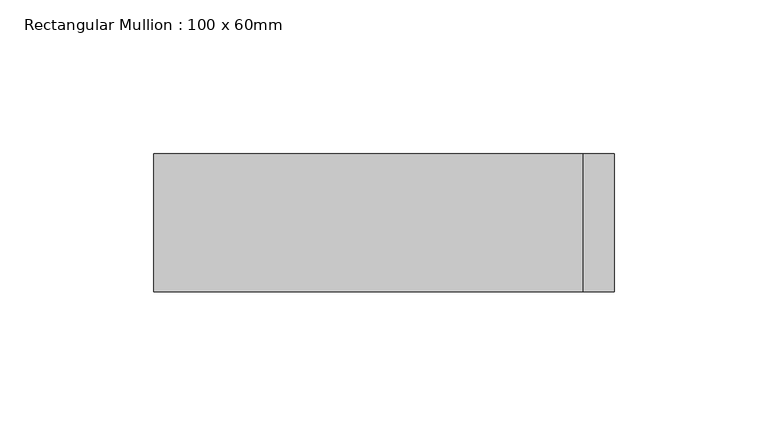
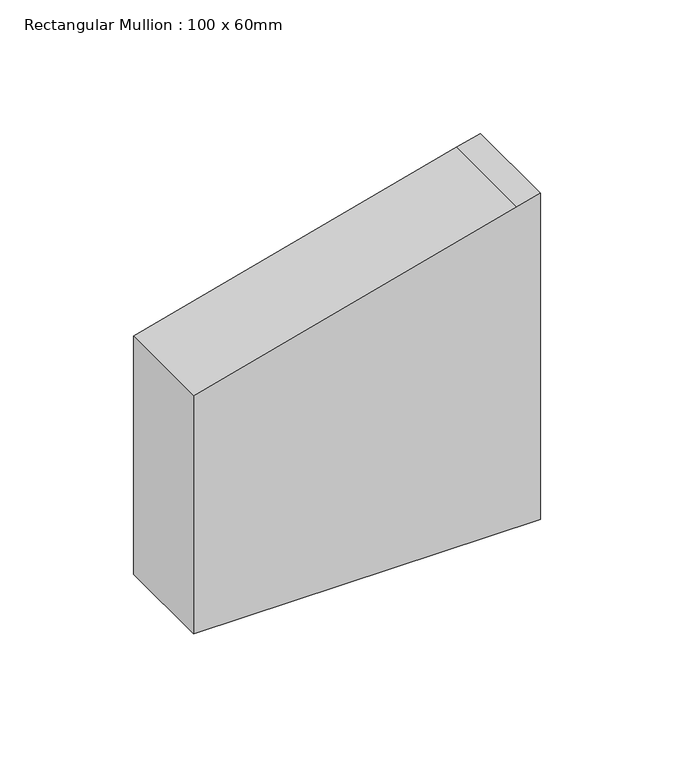
"""IFC4 building model written with IfcOpenShell, lengths in millimetres: member geometry, Rectangular Mullion : 100 x 60mm."""

import ifcopenshell
import ifcopenshell.guid

model = None  # the IFC model being written
_history = None  # IfcOwnerHistory: only IFC2X3 demands one
_inside = {}  # id of a spatial element -> (the spatial element, [elements in it])
_under = {}  # id of a project, library or spatial element -> (it, [spatial elements below it])
_declared = {}  # id of a project -> (the project, [libraries it declares])
_typed = {}  # id of a type object -> (the type object, [elements of that type])
_made_of = {}  # id of a material, layer set ... -> (it, [elements and type objects made of it])


def new_model(schema):
    """Start an empty IFC model of exactly this schema.

    Asked for "IFC4X3", IfcOpenShell would pick the latest addendum, in which some entities
    have other attributes; the version numbers below select the first issue.
    IFC2X3 requires an IfcOwnerHistory on every rooted entity: one is made here for all.
    """
    global model, _history
    if schema == "IFC4X3":
        model = ifcopenshell.file(schema_version=(4, 3, 0, 0))
    else:
        model = ifcopenshell.file(schema=schema)
    _inside.clear()
    _under.clear()
    _declared.clear()
    _typed.clear()
    _made_of.clear()
    _history = None
    if model.schema == "IFC2X3":
        org = make("IfcOrganization", Name="unknown")
        user = make(
            "IfcPersonAndOrganization",
            ThePerson=make("IfcPerson", FamilyName="unknown"),
            TheOrganization=org,
        )
        app = make(
            "IfcApplication",
            ApplicationDeveloper=org,
            Version="unknown",
            ApplicationFullName="unknown",
            ApplicationIdentifier="unknown",
        )
        _history = make(
            "IfcOwnerHistory",
            OwningUser=user,
            OwningApplication=app,
            ChangeAction="ADDED",
            CreationDate=0,
        )
    return model


def make(cls, **values):
    """One entity of the class cls with the attributes given. An attribute that is None is left unset."""
    return model.create_entity(
        cls, **{name: value for name, value in values.items() if value is not None}
    )


def rooted(cls, **values):
    """An entity with a GlobalId (a new one), such as an element, a storey or a relation."""
    return make(cls, GlobalId=ifcopenshell.guid.new(), OwnerHistory=_history, **values)


def si_unit(unit_type, name, prefix=None):
    """IfcSIUnit, for example si_unit("LENGTHUNIT", "METRE", prefix="MILLI")."""
    return make("IfcSIUnit", UnitType=unit_type, Prefix=prefix, Name=name)


def assignment(units):
    """IfcUnitAssignment: the units of a project."""
    return None if units is None else make("IfcUnitAssignment", Units=units)


def point(xyz):
    """IfcCartesianPoint."""
    return None if xyz is None else make("IfcCartesianPoint", Coordinates=xyz)


def direction(xyz):
    """IfcDirection."""
    return None if xyz is None else make("IfcDirection", DirectionRatios=xyz)


def frame(location, z_axis=None, x_axis=None):
    """IfcAxis2Placement3D, a coordinate frame: its origin and axes. An axis left out is left unset."""
    return make(
        "IfcAxis2Placement3D",
        Location=point(location),
        Axis=direction(z_axis),
        RefDirection=direction(x_axis),
    )


def origin():
    """The frame at (0, 0, 0) with its axes left unset."""
    return frame((0.0, 0.0, 0.0))


def place(relative_to, where):
    """IfcLocalPlacement: puts the frame where relative to a parent placement (None: the world)."""
    return make(
        "IfcLocalPlacement", PlacementRelTo=relative_to, RelativePlacement=where
    )


def context(
    kind, dimensions, precision=None, world=None, true_north=None, identifier=None
):
    """IfcGeometricRepresentationContext, for example the 3D "Model" context."""
    return make(
        "IfcGeometricRepresentationContext",
        ContextIdentifier=identifier,
        ContextType=kind,
        CoordinateSpaceDimension=dimensions,
        Precision=precision,
        WorldCoordinateSystem=world,
        TrueNorth=true_north,
    )


def project(units=None, contexts=None):
    """IfcProject with its units and contexts."""
    return rooted(
        "IfcProject",
        Name="project",
        RepresentationContexts=contexts,
        UnitsInContext=assignment(units),
    )


def spatial(cls, under=None, at=None, **own):
    """A site, building, storey or space (cls), placed at a placement, below another one or the project."""
    s = rooted(cls, ObjectPlacement=at, **own)
    if under is not None:
        _under.setdefault(under.id(), (under, []))[1].append(s)
    return s


def polyline(points):
    """IfcPolyline through the points."""
    return make("IfcPolyline", Points=[point(p) for p in points])


def outline(outer, holes=None, kind="AREA"):
    """IfcArbitraryClosedProfileDef: a profile drawn as a closed curve; with holes, ...WithVoids."""
    if holes is None:
        return make("IfcArbitraryClosedProfileDef", ProfileType=kind, OuterCurve=outer)
    return make(
        "IfcArbitraryProfileDefWithVoids",
        ProfileType=kind,
        OuterCurve=outer,
        InnerCurves=holes,
    )


def extrude(swept, where, along, depth):
    """IfcExtrudedAreaSolid: the profile swept, set in the frame where, extruded along a direction by depth."""
    return make(
        "IfcExtrudedAreaSolid",
        SweptArea=swept,
        Position=where,
        ExtrudedDirection=direction(along),
        Depth=depth,
    )


def shape(context_of_items, identifier, shape_type, items):
    """IfcShapeRepresentation: the items that make up one representation, for example the "Body"."""
    return make(
        "IfcShapeRepresentation",
        ContextOfItems=context_of_items,
        RepresentationIdentifier=identifier,
        RepresentationType=shape_type,
        Items=items,
    )


def source(mapping_origin, context_of_items, identifier, shape_type, items):
    """IfcRepresentationMap: a shape defined once, which mapped items show again and again."""
    return make(
        "IfcRepresentationMap",
        MappingOrigin=mapping_origin,
        MappedRepresentation=shape(context_of_items, identifier, shape_type, items),
    )


def transform(
    local_origin,
    x_axis=None,
    y_axis=None,
    z_axis=None,
    scale=None,
    scale2=None,
    scale3=None,
    uniform=True,
):
    """IfcCartesianTransformationOperator3D, or its non-uniform kind. x_axis, y_axis, z_axis: its Axis1, 2, 3."""
    if uniform:
        return make(
            "IfcCartesianTransformationOperator3D",
            Axis1=direction(x_axis),
            Axis2=direction(y_axis),
            LocalOrigin=point(local_origin),
            Scale=scale,
            Axis3=direction(z_axis),
        )
    return make(
        "IfcCartesianTransformationOperator3DnonUniform",
        Axis1=direction(x_axis),
        Axis2=direction(y_axis),
        LocalOrigin=point(local_origin),
        Scale=scale,
        Axis3=direction(z_axis),
        Scale2=scale2,
        Scale3=scale3,
    )


def mapped(mapping_source, mapping_target):
    """IfcMappedItem: shows the shape of a source again, moved by a transform."""
    return make(
        "IfcMappedItem", MappingSource=mapping_source, MappingTarget=mapping_target
    )


def made_of(thing, what):
    """Note that an element or type object is made of a material, layer set ...; save() writes the relation."""
    if what is not None:
        _made_of.setdefault(what.id(), (what, []))[1].append(thing)
    return thing


def element(
    cls,
    number,
    at=None,
    inside=None,
    cuts=None,
    type_object=None,
    material=None,
    context=None,
    identifier="Body",
    shape_type=None,
    held_by="IfcProductDefinitionShape",
    body=None,
    shapes=None,
    **own,
):
    """One element of the class cls, such as IfcWall. Its Tag is "e" and its number.

    at: its placement. inside: the storey or other place that contains it. cuts: it is an
    opening in that element (IfcRelVoidsElement). A single representation is given by context,
    identifier, shape_type and body (its items); several are given by shapes. held_by: the class
    of the entity that holds the representations. save() writes the other relations.
    """
    e = rooted(cls, Tag="e%d" % number, ObjectPlacement=at, **own)
    if body is not None:
        shapes = [shape(context, identifier, shape_type, body)]
    if shapes is not None:
        e.Representation = make(held_by, Representations=shapes)
    if inside is not None:
        _inside.setdefault(inside.id(), (inside, []))[1].append(e)
    if cuts is not None:
        rooted(
            "IfcRelVoidsElement", RelatingBuildingElement=cuts, RelatedOpeningElement=e
        )
    if type_object is not None:
        _typed.setdefault(type_object.id(), (type_object, []))[1].append(e)
    return made_of(e, material)


def aggregate(whole, parts):
    """IfcRelAggregates: a whole, such as a stair, and the parts it consists of."""
    return rooted("IfcRelAggregates", RelatingObject=whole, RelatedObjects=parts)


def save(model, path):
    """Write the relations noted so far, then the file.

    IfcRelAggregates (storeys below a building ...), IfcRelContainedInSpatialStructure (elements
    in a storey), IfcRelDefinesByType, IfcRelAssociatesMaterial and IfcRelDeclares: one each for
    every whole, place, type object, material and project.
    """
    for whole, parts in _under.values():
        aggregate(whole, parts)
    for where, things in _inside.values():
        rooted(
            "IfcRelContainedInSpatialStructure",
            RelatedElements=things,
            RelatingStructure=where,
        )
    for kind, things in _typed.values():
        rooted("IfcRelDefinesByType", RelatedObjects=things, RelatingType=kind)
    for what, things in _made_of.values():
        rooted("IfcRelAssociatesMaterial", RelatedObjects=things, RelatingMaterial=what)
    for by, libraries in _declared.values():
        rooted("IfcRelDeclares", RelatingContext=by, RelatedDefinitions=libraries)
    model.write(path)


def rectangular_mullion_100_x_60mm_f7d21712(model_context):
    return source(origin(), model_context, "Body", "SweptSolid", [
        extrude(outline(polyline([(-238.7228557, 75.0), (-241.4814566, 64.7047613), (-278.9152345, -75.0), (-387.8572062, -75.0), (-387.8572062, 75.0), (-238.7228557, 75.0)])), frame((0.0, -15.0, 0.0), z_axis=(0.0, 1.0, 0.0), x_axis=(0.0, 0.0, 1.0)), (0.0, 0.0, 1.0), 45.0),
    ])


if __name__ == "__main__":
    model = new_model("IFC4")
    model_context = context("Model", 3, world=origin())
    ifc_project = project(units=[si_unit("LENGTHUNIT", "METRE", prefix="MILLI")], contexts=[model_context])
    site = spatial("IfcSite", under=ifc_project)
    building = spatial("IfcBuilding", under=site)
    placement = place(None, origin())
    rectangular_mullion_100_x_60mm_shape = rectangular_mullion_100_x_60mm_f7d21712(model_context)
    element("IfcMember", 1, ObjectType="Rectangular Mullion : 100 x 60mm", at=placement, inside=building, context=model_context, shape_type="MappedRepresentation", body=[
        mapped(rectangular_mullion_100_x_60mm_shape, transform((0.0, 0.0, 0.0), x_axis=(1.0, 0.0, 0.0), y_axis=(0.0, 1.0, 0.0), z_axis=(0.0, 0.0, 1.0))),
    ])
    save(model, "model.ifc")
